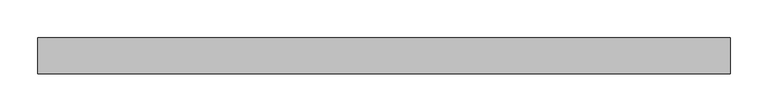
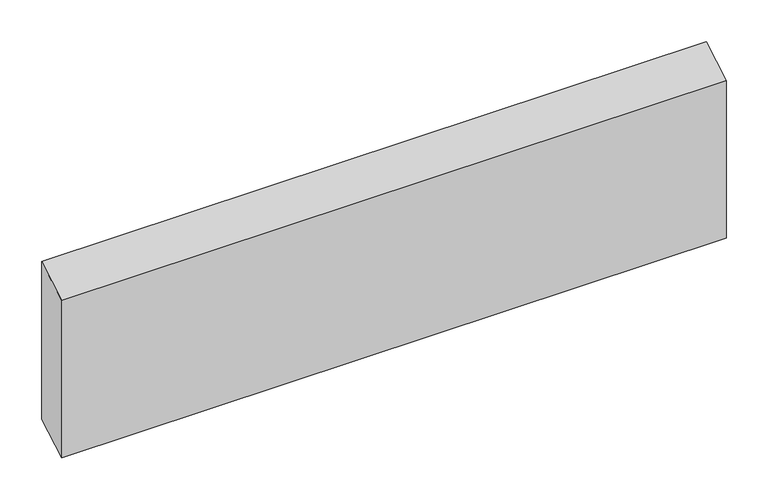
"""IFC4 building model written with IfcOpenShell, lengths in millimetres: beam geometry."""

from ifc_helpers import new_model, si_unit, frame, origin, place, context, project, spatial, polyline, outline, extrude, source, transform, mapped, element, save


def beam_0fbf3a0a(model_context):
    return source(origin(), model_context, "Body", "SweptSolid", [
        extrude(outline(polyline([(24.0, 129.3264603), (24.0, -101.6136474), (-24.0, -129.3264603), (-24.0, 101.6136474), (24.0, 129.3264603)])), frame((-459.75, 0.0, 0.0), z_axis=(1.0, 0.0, 0.0), x_axis=(0.0, 1.0, 0.0)), (0.0, 0.0, 1.0), 919.5),
    ])


if __name__ == "__main__":
    model = new_model("IFC4")
    model_context = context("Model", 3, world=origin())
    ifc_project = project(units=[si_unit("LENGTHUNIT", "METRE", prefix="MILLI")], contexts=[model_context])
    site = spatial("IfcSite", under=ifc_project)
    building = spatial("IfcBuilding", under=site)
    placement = place(None, origin())
    beam_shape = beam_0fbf3a0a(model_context)
    element("IfcBeam", 1, at=placement, inside=building, context=model_context, shape_type="MappedRepresentation", body=[
        mapped(beam_shape, transform((0.0, 0.0, 0.0), x_axis=(1.0, 0.0, 0.0), y_axis=(0.0, 1.0, 0.0), z_axis=(0.0, 0.0, 1.0))),
    ])
    save(model, "model.ifc")
